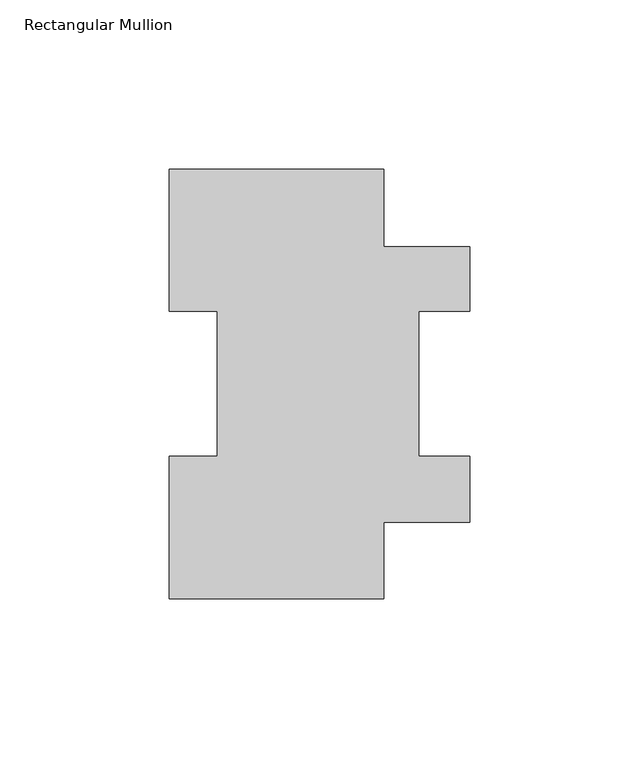
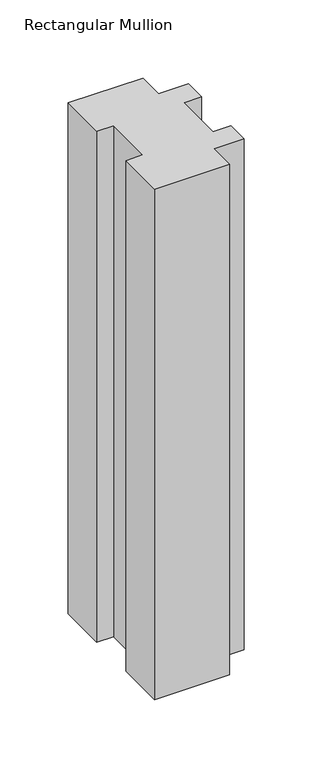
"""IFC4 building model written with IfcOpenShell, lengths in millimetres: member geometry, Rectangular Mullion."""

from ifc_helpers import new_model, si_unit, frame, origin, place, context, project, spatial, polyline, outline, extrude, source, transform, mapped, element, save


def rectangular_mullion_d84af3a1(model_context):
    return source(origin(), model_context, "Body", "SweptSolid", [
        extrude(outline(polyline([(31.75, 127.00635), (31.75, 103.98125), (57.1497287, 103.98125), (57.1497287, 84.93125), (42.0621287, 84.93125), (42.0621287, 42.08145), (57.1497287, 42.08145), (57.1497287, 22.59965), (31.75, 22.59965), (31.75, 0.00635), (-31.7497287, 0.00635), (-31.7497287, 42.08145), (-17.4622287, 42.08145), (-17.4622287, 84.93125), (-31.7502713, 84.93125), (-31.7502713, 127.00635), (31.75, 127.00635)])), frame((0.0, 0.0, -457.2), z_axis=(0.0, 0.0, 1.0), x_axis=(1.0, 0.0, 0.0)), (0.0, 0.0, 1.0), 457.2),
    ])


if __name__ == "__main__":
    model = new_model("IFC4")
    model_context = context("Model", 3, world=origin())
    ifc_project = project(units=[si_unit("LENGTHUNIT", "METRE", prefix="MILLI")], contexts=[model_context])
    site = spatial("IfcSite", under=ifc_project)
    building = spatial("IfcBuilding", under=site)
    placement = place(None, origin())
    rectangular_mullion_shape = rectangular_mullion_d84af3a1(model_context)
    element("IfcMember", 1, ObjectType="Rectangular Mullion", at=placement, inside=building, context=model_context, shape_type="MappedRepresentation", body=[
        mapped(rectangular_mullion_shape, transform((0.0, 0.0, 0.0), x_axis=(1.0, 0.0, 0.0), y_axis=(0.0, 1.0, 0.0), z_axis=(0.0, 0.0, 1.0))),
    ])
    save(model, "model.ifc")
